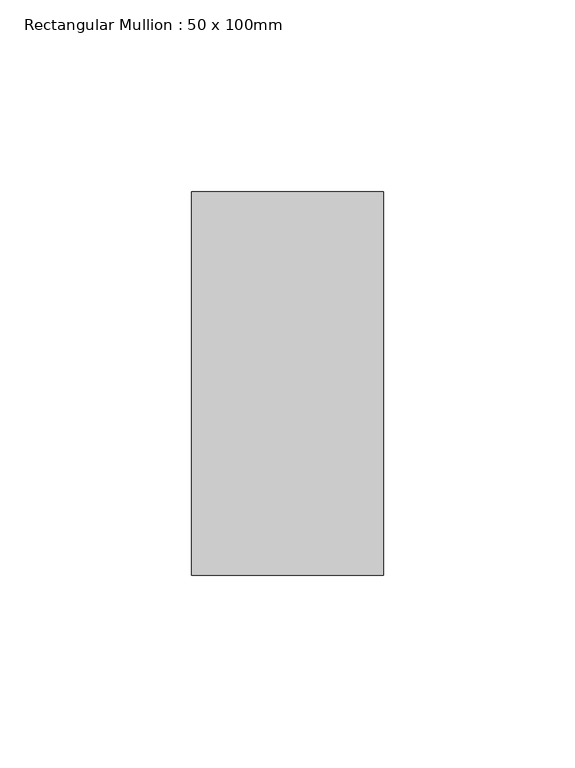
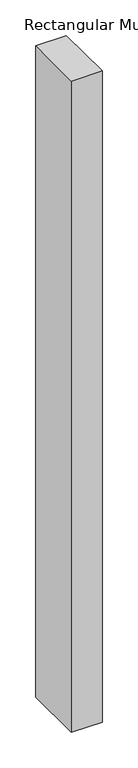
"""IFC4 building model written with IfcOpenShell, lengths in millimetres: member geometry, Rectangular Mullion : 50 x 100mm."""

from ifc_helpers import new_model, si_unit, frame, origin, place, context, project, spatial, polyline, outline, extrude, source, transform, mapped, element, save


def rectangular_mullion_50_x_100mm_1633a47d(model_context):
    return source(origin(), model_context, "Body", "SweptSolid", [
        extrude(outline(polyline([(25.0, 50.0), (25.0, -50.0), (-25.0, -50.0), (-25.0, 50.0), (25.0, 50.0)])), frame((0.0, 0.0, -1116.6666667), z_axis=(0.0, 0.0, 1.0), x_axis=(1.0, 0.0, 0.0)), (0.0, 0.0, 1.0), 1116.6666667),
    ])


if __name__ == "__main__":
    model = new_model("IFC4")
    model_context = context("Model", 3, world=origin())
    ifc_project = project(units=[si_unit("LENGTHUNIT", "METRE", prefix="MILLI")], contexts=[model_context])
    site = spatial("IfcSite", under=ifc_project)
    building = spatial("IfcBuilding", under=site)
    placement = place(None, origin())
    rectangular_mullion_50_x_100mm_shape = rectangular_mullion_50_x_100mm_1633a47d(model_context)
    element("IfcMember", 1, ObjectType="Rectangular Mullion : 50 x 100mm", at=placement, inside=building, context=model_context, shape_type="MappedRepresentation", body=[
        mapped(rectangular_mullion_50_x_100mm_shape, transform((0.0, 0.0, 0.0), x_axis=(1.0, 0.0, 0.0), y_axis=(0.0, 1.0, 0.0), z_axis=(0.0, 0.0, 1.0))),
    ])
    save(model, "model.ifc")
